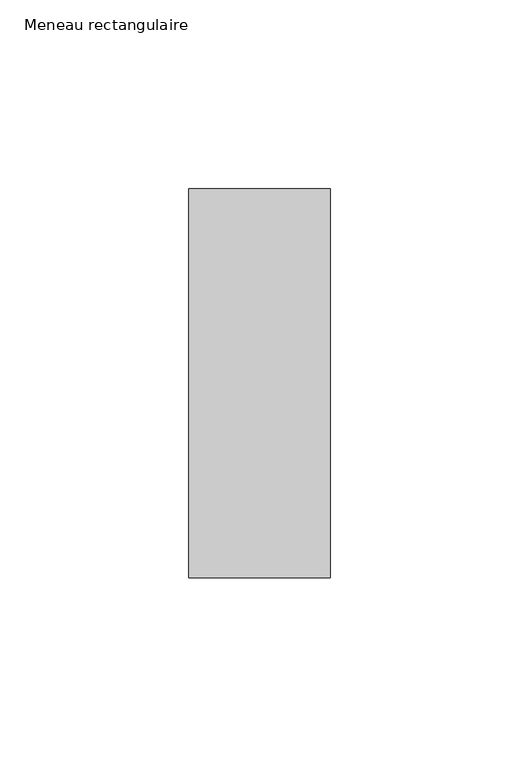
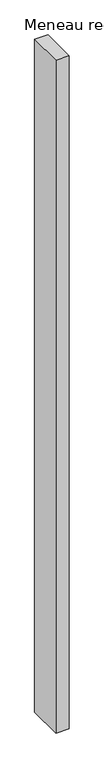
"""IFC4 building model written with IfcOpenShell, lengths in millimetres: member geometry, Meneau rectangulaire."""

import ifcopenshell
import ifcopenshell.guid

model = None  # the IFC model being written
_history = None  # IfcOwnerHistory: only IFC2X3 demands one
_inside = {}  # id of a spatial element -> (the spatial element, [elements in it])
_under = {}  # id of a project, library or spatial element -> (it, [spatial elements below it])
_declared = {}  # id of a project -> (the project, [libraries it declares])
_typed = {}  # id of a type object -> (the type object, [elements of that type])
_made_of = {}  # id of a material, layer set ... -> (it, [elements and type objects made of it])


def new_model(schema):
    """Start an empty IFC model of exactly this schema.

    Asked for "IFC4X3", IfcOpenShell would pick the latest addendum, in which some entities
    have other attributes; the version numbers below select the first issue.
    IFC2X3 requires an IfcOwnerHistory on every rooted entity: one is made here for all.
    """
    global model, _history
    if schema == "IFC4X3":
        model = ifcopenshell.file(schema_version=(4, 3, 0, 0))
    else:
        model = ifcopenshell.file(schema=schema)
    _inside.clear()
    _under.clear()
    _declared.clear()
    _typed.clear()
    _made_of.clear()
    _history = None
    if model.schema == "IFC2X3":
        org = make("IfcOrganization", Name="unknown")
        user = make(
            "IfcPersonAndOrganization",
            ThePerson=make("IfcPerson", FamilyName="unknown"),
            TheOrganization=org,
        )
        app = make(
            "IfcApplication",
            ApplicationDeveloper=org,
            Version="unknown",
            ApplicationFullName="unknown",
            ApplicationIdentifier="unknown",
        )
        _history = make(
            "IfcOwnerHistory",
            OwningUser=user,
            OwningApplication=app,
            ChangeAction="ADDED",
            CreationDate=0,
        )
    return model


def make(cls, **values):
    """One entity of the class cls with the attributes given. An attribute that is None is left unset."""
    return model.create_entity(
        cls, **{name: value for name, value in values.items() if value is not None}
    )


def rooted(cls, **values):
    """An entity with a GlobalId (a new one), such as an element, a storey or a relation."""
    return make(cls, GlobalId=ifcopenshell.guid.new(), OwnerHistory=_history, **values)


def si_unit(unit_type, name, prefix=None):
    """IfcSIUnit, for example si_unit("LENGTHUNIT", "METRE", prefix="MILLI")."""
    return make("IfcSIUnit", UnitType=unit_type, Prefix=prefix, Name=name)


def assignment(units):
    """IfcUnitAssignment: the units of a project."""
    return None if units is None else make("IfcUnitAssignment", Units=units)


def point(xyz):
    """IfcCartesianPoint."""
    return None if xyz is None else make("IfcCartesianPoint", Coordinates=xyz)


def direction(xyz):
    """IfcDirection."""
    return None if xyz is None else make("IfcDirection", DirectionRatios=xyz)


def frame(location, z_axis=None, x_axis=None):
    """IfcAxis2Placement3D, a coordinate frame: its origin and axes. An axis left out is left unset."""
    return make(
        "IfcAxis2Placement3D",
        Location=point(location),
        Axis=direction(z_axis),
        RefDirection=direction(x_axis),
    )


def origin():
    """The frame at (0, 0, 0) with its axes left unset."""
    return frame((0.0, 0.0, 0.0))


def place(relative_to, where):
    """IfcLocalPlacement: puts the frame where relative to a parent placement (None: the world)."""
    return make(
        "IfcLocalPlacement", PlacementRelTo=relative_to, RelativePlacement=where
    )


def context(
    kind, dimensions, precision=None, world=None, true_north=None, identifier=None
):
    """IfcGeometricRepresentationContext, for example the 3D "Model" context."""
    return make(
        "IfcGeometricRepresentationContext",
        ContextIdentifier=identifier,
        ContextType=kind,
        CoordinateSpaceDimension=dimensions,
        Precision=precision,
        WorldCoordinateSystem=world,
        TrueNorth=true_north,
    )


def project(units=None, contexts=None):
    """IfcProject with its units and contexts."""
    return rooted(
        "IfcProject",
        Name="project",
        RepresentationContexts=contexts,
        UnitsInContext=assignment(units),
    )


def spatial(cls, under=None, at=None, **own):
    """A site, building, storey or space (cls), placed at a placement, below another one or the project."""
    s = rooted(cls, ObjectPlacement=at, **own)
    if under is not None:
        _under.setdefault(under.id(), (under, []))[1].append(s)
    return s


def polyline(points):
    """IfcPolyline through the points."""
    return make("IfcPolyline", Points=[point(p) for p in points])


def outline(outer, holes=None, kind="AREA"):
    """IfcArbitraryClosedProfileDef: a profile drawn as a closed curve; with holes, ...WithVoids."""
    if holes is None:
        return make("IfcArbitraryClosedProfileDef", ProfileType=kind, OuterCurve=outer)
    return make(
        "IfcArbitraryProfileDefWithVoids",
        ProfileType=kind,
        OuterCurve=outer,
        InnerCurves=holes,
    )


def extrude(swept, where, along, depth):
    """IfcExtrudedAreaSolid: the profile swept, set in the frame where, extruded along a direction by depth."""
    return make(
        "IfcExtrudedAreaSolid",
        SweptArea=swept,
        Position=where,
        ExtrudedDirection=direction(along),
        Depth=depth,
    )


def shape(context_of_items, identifier, shape_type, items):
    """IfcShapeRepresentation: the items that make up one representation, for example the "Body"."""
    return make(
        "IfcShapeRepresentation",
        ContextOfItems=context_of_items,
        RepresentationIdentifier=identifier,
        RepresentationType=shape_type,
        Items=items,
    )


def source(mapping_origin, context_of_items, identifier, shape_type, items):
    """IfcRepresentationMap: a shape defined once, which mapped items show again and again."""
    return make(
        "IfcRepresentationMap",
        MappingOrigin=mapping_origin,
        MappedRepresentation=shape(context_of_items, identifier, shape_type, items),
    )


def transform(
    local_origin,
    x_axis=None,
    y_axis=None,
    z_axis=None,
    scale=None,
    scale2=None,
    scale3=None,
    uniform=True,
):
    """IfcCartesianTransformationOperator3D, or its non-uniform kind. x_axis, y_axis, z_axis: its Axis1, 2, 3."""
    if uniform:
        return make(
            "IfcCartesianTransformationOperator3D",
            Axis1=direction(x_axis),
            Axis2=direction(y_axis),
            LocalOrigin=point(local_origin),
            Scale=scale,
            Axis3=direction(z_axis),
        )
    return make(
        "IfcCartesianTransformationOperator3DnonUniform",
        Axis1=direction(x_axis),
        Axis2=direction(y_axis),
        LocalOrigin=point(local_origin),
        Scale=scale,
        Axis3=direction(z_axis),
        Scale2=scale2,
        Scale3=scale3,
    )


def mapped(mapping_source, mapping_target):
    """IfcMappedItem: shows the shape of a source again, moved by a transform."""
    return make(
        "IfcMappedItem", MappingSource=mapping_source, MappingTarget=mapping_target
    )


def made_of(thing, what):
    """Note that an element or type object is made of a material, layer set ...; save() writes the relation."""
    if what is not None:
        _made_of.setdefault(what.id(), (what, []))[1].append(thing)
    return thing


def element(
    cls,
    number,
    at=None,
    inside=None,
    cuts=None,
    type_object=None,
    material=None,
    context=None,
    identifier="Body",
    shape_type=None,
    held_by="IfcProductDefinitionShape",
    body=None,
    shapes=None,
    **own,
):
    """One element of the class cls, such as IfcWall. Its Tag is "e" and its number.

    at: its placement. inside: the storey or other place that contains it. cuts: it is an
    opening in that element (IfcRelVoidsElement). A single representation is given by context,
    identifier, shape_type and body (its items); several are given by shapes. held_by: the class
    of the entity that holds the representations. save() writes the other relations.
    """
    e = rooted(cls, Tag="e%d" % number, ObjectPlacement=at, **own)
    if body is not None:
        shapes = [shape(context, identifier, shape_type, body)]
    if shapes is not None:
        e.Representation = make(held_by, Representations=shapes)
    if inside is not None:
        _inside.setdefault(inside.id(), (inside, []))[1].append(e)
    if cuts is not None:
        rooted(
            "IfcRelVoidsElement", RelatingBuildingElement=cuts, RelatedOpeningElement=e
        )
    if type_object is not None:
        _typed.setdefault(type_object.id(), (type_object, []))[1].append(e)
    return made_of(e, material)


def aggregate(whole, parts):
    """IfcRelAggregates: a whole, such as a stair, and the parts it consists of."""
    return rooted("IfcRelAggregates", RelatingObject=whole, RelatedObjects=parts)


def save(model, path):
    """Write the relations noted so far, then the file.

    IfcRelAggregates (storeys below a building ...), IfcRelContainedInSpatialStructure (elements
    in a storey), IfcRelDefinesByType, IfcRelAssociatesMaterial and IfcRelDeclares: one each for
    every whole, place, type object, material and project.
    """
    for whole, parts in _under.values():
        aggregate(whole, parts)
    for where, things in _inside.values():
        rooted(
            "IfcRelContainedInSpatialStructure",
            RelatedElements=things,
            RelatingStructure=where,
        )
    for kind, things in _typed.values():
        rooted("IfcRelDefinesByType", RelatedObjects=things, RelatingType=kind)
    for what, things in _made_of.values():
        rooted("IfcRelAssociatesMaterial", RelatedObjects=things, RelatingMaterial=what)
    for by, libraries in _declared.values():
        rooted("IfcRelDeclares", RelatingContext=by, RelatedDefinitions=libraries)
    model.write(path)


def meneau_rectangulaire_4e07bc3f(model_context):
    return source(origin(), model_context, "Body", "SweptSolid", [
        extrude(outline(polyline([(0.0, 51.5), (0.0, -51.5), (-37.3886182, -51.5), (-37.3886182, 51.5), (0.0, 51.5)])), frame((0.0, 0.0, -2000.0), z_axis=(0.0, 0.0, 1.0), x_axis=(1.0, 0.0, 0.0)), (0.0, 0.0, 1.0), 2000.0),
    ])


if __name__ == "__main__":
    model = new_model("IFC4")
    model_context = context("Model", 3, world=origin())
    ifc_project = project(units=[si_unit("LENGTHUNIT", "METRE", prefix="MILLI")], contexts=[model_context])
    site = spatial("IfcSite", under=ifc_project)
    building = spatial("IfcBuilding", under=site)
    placement = place(None, origin())
    meneau_rectangulaire_shape = meneau_rectangulaire_4e07bc3f(model_context)
    element("IfcMember", 1, ObjectType="Meneau rectangulaire", at=placement, inside=building, context=model_context, shape_type="MappedRepresentation", body=[
        mapped(meneau_rectangulaire_shape, transform((0.0, 0.0, 0.0), x_axis=(1.0, 0.0, 0.0), y_axis=(0.0, 1.0, 0.0), z_axis=(0.0, 0.0, 1.0))),
    ])
    save(model, "model.ifc")
